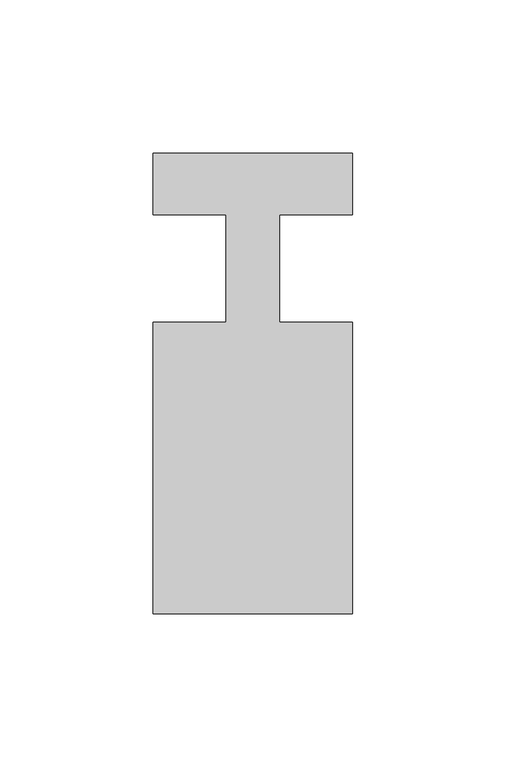
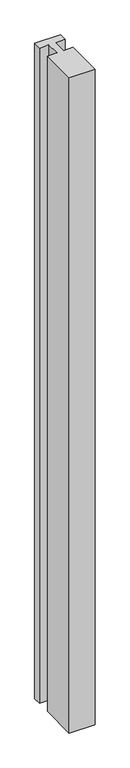
"""IFC4 building model written with IfcOpenShell, lengths in millimetres: member geometry."""

from ifc_helpers import new_model, si_unit, frame, origin, place, context, project, spatial, polyline, outline, extrude, source, transform, mapped, element, save


def member_fb45a44d(model_context):
    return source(origin(), model_context, "Body", "SweptSolid", [
        extrude(outline(polyline([(-65.0, 37.0), (0.0, 37.0), (0.0, 17.0), (-23.8125, 17.0), (-23.8125, -18.0), (0.0, -18.0), (0.0, -113.0), (-65.0, -113.0), (-65.0, -18.0), (-41.1875, -18.0), (-41.1875, 17.0), (-65.0, 17.0), (-65.0, 37.0)])), frame((0.0, 0.0, -1740.0), z_axis=(0.0, 0.0, 1.0), x_axis=(1.0, 0.0, 0.0)), (0.0, 0.0, 1.0), 1740.0),
    ])


if __name__ == "__main__":
    model = new_model("IFC4")
    model_context = context("Model", 3, world=origin())
    ifc_project = project(units=[si_unit("LENGTHUNIT", "METRE", prefix="MILLI")], contexts=[model_context])
    site = spatial("IfcSite", under=ifc_project)
    building = spatial("IfcBuilding", under=site)
    placement = place(None, origin())
    member_shape = member_fb45a44d(model_context)
    element("IfcMember", 1, at=placement, inside=building, context=model_context, shape_type="MappedRepresentation", body=[
        mapped(member_shape, transform((0.0, 0.0, 0.0), x_axis=(1.0, 0.0, 0.0), y_axis=(0.0, 1.0, 0.0), z_axis=(0.0, 0.0, 1.0))),
    ])
    save(model, "model.ifc")
